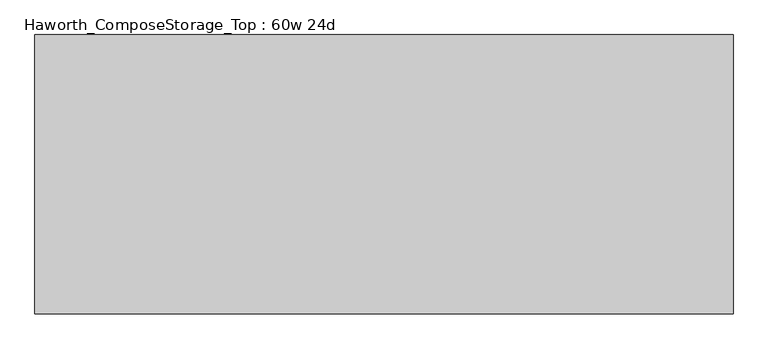
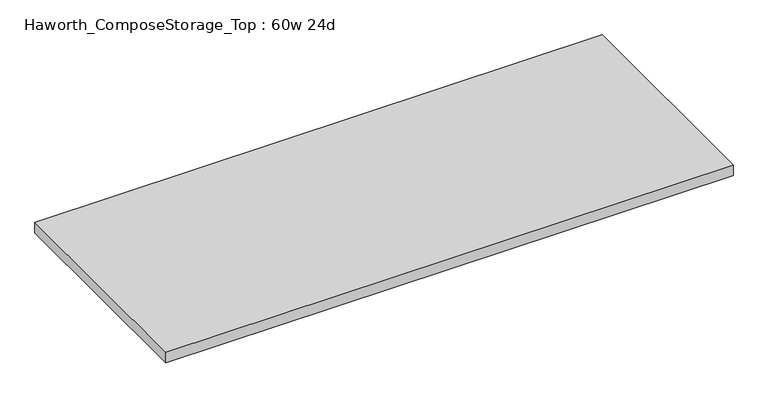
"""IFC4 building model written with IfcOpenShell, lengths in millimetres: furniture geometry, Haworth_ComposeStorage_Top : 60w 24d."""

from ifc_helpers import new_model, si_unit, frame, origin, place, context, project, spatial, polyline, outline, extrude, source, transform, mapped, element, save


def haworth_composestorage_top_60w_24d_a4debbff(model_context):
    return source(origin(), model_context, "Body", "SweptSolid", [
        extrude(outline(polyline([(762.0, 304.8), (762.0, -304.8), (-762.0, -304.8), (-762.0, 304.8), (762.0, 304.8)])), frame((0.0, 0.0, 706.4375), z_axis=(0.0, 0.0, 1.0), x_axis=(1.0, 0.0, 0.0)), (0.0, 0.0, 1.0), 30.1625),
    ])


if __name__ == "__main__":
    model = new_model("IFC4")
    model_context = context("Model", 3, world=origin())
    ifc_project = project(units=[si_unit("LENGTHUNIT", "METRE", prefix="MILLI")], contexts=[model_context])
    site = spatial("IfcSite", under=ifc_project)
    building = spatial("IfcBuilding", under=site)
    placement = place(None, origin())
    haworth_composestorage_top_60w_24d_shape = haworth_composestorage_top_60w_24d_a4debbff(model_context)
    element("IfcFurniture", 1, ObjectType="Haworth_ComposeStorage_Top : 60w 24d", at=placement, inside=building, context=model_context, shape_type="MappedRepresentation", body=[
        mapped(haworth_composestorage_top_60w_24d_shape, transform((0.0, 0.0, 0.0), x_axis=(1.0, 0.0, 0.0), y_axis=(0.0, 1.0, 0.0), z_axis=(0.0, 0.0, 1.0))),
    ])
    save(model, "model.ifc")
